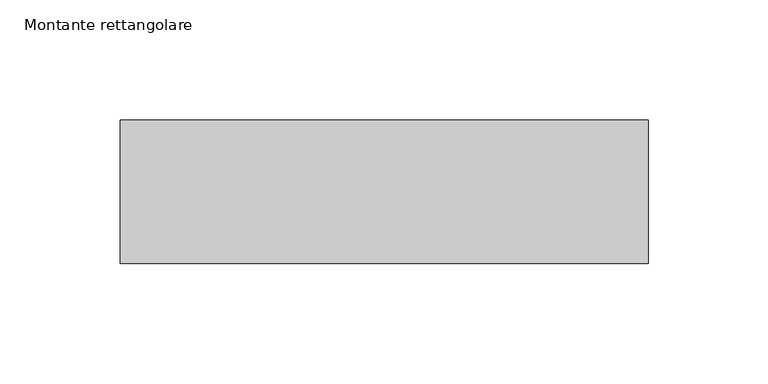
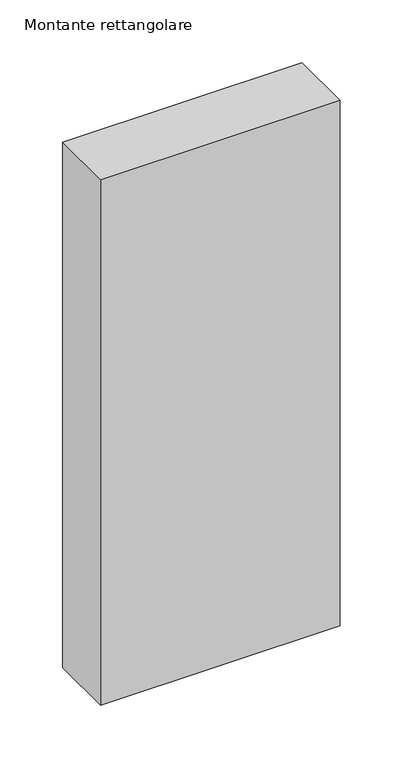
"""IFC4 building model written with IfcOpenShell, lengths in millimetres: member geometry, Montante rettangolare."""

import ifcopenshell
import ifcopenshell.guid

model = None  # the IFC model being written
_history = None  # IfcOwnerHistory: only IFC2X3 demands one
_inside = {}  # id of a spatial element -> (the spatial element, [elements in it])
_under = {}  # id of a project, library or spatial element -> (it, [spatial elements below it])
_declared = {}  # id of a project -> (the project, [libraries it declares])
_typed = {}  # id of a type object -> (the type object, [elements of that type])
_made_of = {}  # id of a material, layer set ... -> (it, [elements and type objects made of it])


def new_model(schema):
    """Start an empty IFC model of exactly this schema.

    Asked for "IFC4X3", IfcOpenShell would pick the latest addendum, in which some entities
    have other attributes; the version numbers below select the first issue.
    IFC2X3 requires an IfcOwnerHistory on every rooted entity: one is made here for all.
    """
    global model, _history
    if schema == "IFC4X3":
        model = ifcopenshell.file(schema_version=(4, 3, 0, 0))
    else:
        model = ifcopenshell.file(schema=schema)
    _inside.clear()
    _under.clear()
    _declared.clear()
    _typed.clear()
    _made_of.clear()
    _history = None
    if model.schema == "IFC2X3":
        org = make("IfcOrganization", Name="unknown")
        user = make(
            "IfcPersonAndOrganization",
            ThePerson=make("IfcPerson", FamilyName="unknown"),
            TheOrganization=org,
        )
        app = make(
            "IfcApplication",
            ApplicationDeveloper=org,
            Version="unknown",
            ApplicationFullName="unknown",
            ApplicationIdentifier="unknown",
        )
        _history = make(
            "IfcOwnerHistory",
            OwningUser=user,
            OwningApplication=app,
            ChangeAction="ADDED",
            CreationDate=0,
        )
    return model


def make(cls, **values):
    """One entity of the class cls with the attributes given. An attribute that is None is left unset."""
    return model.create_entity(
        cls, **{name: value for name, value in values.items() if value is not None}
    )


def rooted(cls, **values):
    """An entity with a GlobalId (a new one), such as an element, a storey or a relation."""
    return make(cls, GlobalId=ifcopenshell.guid.new(), OwnerHistory=_history, **values)


def si_unit(unit_type, name, prefix=None):
    """IfcSIUnit, for example si_unit("LENGTHUNIT", "METRE", prefix="MILLI")."""
    return make("IfcSIUnit", UnitType=unit_type, Prefix=prefix, Name=name)


def assignment(units):
    """IfcUnitAssignment: the units of a project."""
    return None if units is None else make("IfcUnitAssignment", Units=units)


def point(xyz):
    """IfcCartesianPoint."""
    return None if xyz is None else make("IfcCartesianPoint", Coordinates=xyz)


def direction(xyz):
    """IfcDirection."""
    return None if xyz is None else make("IfcDirection", DirectionRatios=xyz)


def frame(location, z_axis=None, x_axis=None):
    """IfcAxis2Placement3D, a coordinate frame: its origin and axes. An axis left out is left unset."""
    return make(
        "IfcAxis2Placement3D",
        Location=point(location),
        Axis=direction(z_axis),
        RefDirection=direction(x_axis),
    )


def origin():
    """The frame at (0, 0, 0) with its axes left unset."""
    return frame((0.0, 0.0, 0.0))


def place(relative_to, where):
    """IfcLocalPlacement: puts the frame where relative to a parent placement (None: the world)."""
    return make(
        "IfcLocalPlacement", PlacementRelTo=relative_to, RelativePlacement=where
    )


def context(
    kind, dimensions, precision=None, world=None, true_north=None, identifier=None
):
    """IfcGeometricRepresentationContext, for example the 3D "Model" context."""
    return make(
        "IfcGeometricRepresentationContext",
        ContextIdentifier=identifier,
        ContextType=kind,
        CoordinateSpaceDimension=dimensions,
        Precision=precision,
        WorldCoordinateSystem=world,
        TrueNorth=true_north,
    )


def project(units=None, contexts=None):
    """IfcProject with its units and contexts."""
    return rooted(
        "IfcProject",
        Name="project",
        RepresentationContexts=contexts,
        UnitsInContext=assignment(units),
    )


def spatial(cls, under=None, at=None, **own):
    """A site, building, storey or space (cls), placed at a placement, below another one or the project."""
    s = rooted(cls, ObjectPlacement=at, **own)
    if under is not None:
        _under.setdefault(under.id(), (under, []))[1].append(s)
    return s


def polyline(points):
    """IfcPolyline through the points."""
    return make("IfcPolyline", Points=[point(p) for p in points])


def outline(outer, holes=None, kind="AREA"):
    """IfcArbitraryClosedProfileDef: a profile drawn as a closed curve; with holes, ...WithVoids."""
    if holes is None:
        return make("IfcArbitraryClosedProfileDef", ProfileType=kind, OuterCurve=outer)
    return make(
        "IfcArbitraryProfileDefWithVoids",
        ProfileType=kind,
        OuterCurve=outer,
        InnerCurves=holes,
    )


def extrude(swept, where, along, depth):
    """IfcExtrudedAreaSolid: the profile swept, set in the frame where, extruded along a direction by depth."""
    return make(
        "IfcExtrudedAreaSolid",
        SweptArea=swept,
        Position=where,
        ExtrudedDirection=direction(along),
        Depth=depth,
    )


def shape(context_of_items, identifier, shape_type, items):
    """IfcShapeRepresentation: the items that make up one representation, for example the "Body"."""
    return make(
        "IfcShapeRepresentation",
        ContextOfItems=context_of_items,
        RepresentationIdentifier=identifier,
        RepresentationType=shape_type,
        Items=items,
    )


def source(mapping_origin, context_of_items, identifier, shape_type, items):
    """IfcRepresentationMap: a shape defined once, which mapped items show again and again."""
    return make(
        "IfcRepresentationMap",
        MappingOrigin=mapping_origin,
        MappedRepresentation=shape(context_of_items, identifier, shape_type, items),
    )


def transform(
    local_origin,
    x_axis=None,
    y_axis=None,
    z_axis=None,
    scale=None,
    scale2=None,
    scale3=None,
    uniform=True,
):
    """IfcCartesianTransformationOperator3D, or its non-uniform kind. x_axis, y_axis, z_axis: its Axis1, 2, 3."""
    if uniform:
        return make(
            "IfcCartesianTransformationOperator3D",
            Axis1=direction(x_axis),
            Axis2=direction(y_axis),
            LocalOrigin=point(local_origin),
            Scale=scale,
            Axis3=direction(z_axis),
        )
    return make(
        "IfcCartesianTransformationOperator3DnonUniform",
        Axis1=direction(x_axis),
        Axis2=direction(y_axis),
        LocalOrigin=point(local_origin),
        Scale=scale,
        Axis3=direction(z_axis),
        Scale2=scale2,
        Scale3=scale3,
    )


def mapped(mapping_source, mapping_target):
    """IfcMappedItem: shows the shape of a source again, moved by a transform."""
    return make(
        "IfcMappedItem", MappingSource=mapping_source, MappingTarget=mapping_target
    )


def made_of(thing, what):
    """Note that an element or type object is made of a material, layer set ...; save() writes the relation."""
    if what is not None:
        _made_of.setdefault(what.id(), (what, []))[1].append(thing)
    return thing


def element(
    cls,
    number,
    at=None,
    inside=None,
    cuts=None,
    type_object=None,
    material=None,
    context=None,
    identifier="Body",
    shape_type=None,
    held_by="IfcProductDefinitionShape",
    body=None,
    shapes=None,
    **own,
):
    """One element of the class cls, such as IfcWall. Its Tag is "e" and its number.

    at: its placement. inside: the storey or other place that contains it. cuts: it is an
    opening in that element (IfcRelVoidsElement). A single representation is given by context,
    identifier, shape_type and body (its items); several are given by shapes. held_by: the class
    of the entity that holds the representations. save() writes the other relations.
    """
    e = rooted(cls, Tag="e%d" % number, ObjectPlacement=at, **own)
    if body is not None:
        shapes = [shape(context, identifier, shape_type, body)]
    if shapes is not None:
        e.Representation = make(held_by, Representations=shapes)
    if inside is not None:
        _inside.setdefault(inside.id(), (inside, []))[1].append(e)
    if cuts is not None:
        rooted(
            "IfcRelVoidsElement", RelatingBuildingElement=cuts, RelatedOpeningElement=e
        )
    if type_object is not None:
        _typed.setdefault(type_object.id(), (type_object, []))[1].append(e)
    return made_of(e, material)


def aggregate(whole, parts):
    """IfcRelAggregates: a whole, such as a stair, and the parts it consists of."""
    return rooted("IfcRelAggregates", RelatingObject=whole, RelatedObjects=parts)


def save(model, path):
    """Write the relations noted so far, then the file.

    IfcRelAggregates (storeys below a building ...), IfcRelContainedInSpatialStructure (elements
    in a storey), IfcRelDefinesByType, IfcRelAssociatesMaterial and IfcRelDeclares: one each for
    every whole, place, type object, material and project.
    """
    for whole, parts in _under.values():
        aggregate(whole, parts)
    for where, things in _inside.values():
        rooted(
            "IfcRelContainedInSpatialStructure",
            RelatedElements=things,
            RelatingStructure=where,
        )
    for kind, things in _typed.values():
        rooted("IfcRelDefinesByType", RelatedObjects=things, RelatingType=kind)
    for what, things in _made_of.values():
        rooted("IfcRelAssociatesMaterial", RelatedObjects=things, RelatingMaterial=what)
    for by, libraries in _declared.values():
        rooted("IfcRelDeclares", RelatingContext=by, RelatedDefinitions=libraries)
    model.write(path)


def montante_rettangolare_1d341587(model_context):
    return source(origin(), model_context, "Body", "SweptSolid", [
        extrude(outline(polyline([(110.0, 30.0), (110.0, -30.0), (-110.0, -30.0), (-110.0, 30.0), (110.0, 30.0)])), frame((0.0, 0.0, -510.0), z_axis=(0.0, 0.0, 1.0), x_axis=(1.0, 0.0, 0.0)), (0.0, 0.0, 1.0), 510.0),
    ])


if __name__ == "__main__":
    model = new_model("IFC4")
    model_context = context("Model", 3, world=origin())
    ifc_project = project(units=[si_unit("LENGTHUNIT", "METRE", prefix="MILLI")], contexts=[model_context])
    site = spatial("IfcSite", under=ifc_project)
    building = spatial("IfcBuilding", under=site)
    placement = place(None, origin())
    montante_rettangolare_shape = montante_rettangolare_1d341587(model_context)
    element("IfcMember", 1, ObjectType="Montante rettangolare", at=placement, inside=building, context=model_context, shape_type="MappedRepresentation", body=[
        mapped(montante_rettangolare_shape, transform((0.0, 0.0, 0.0), x_axis=(1.0, 0.0, 0.0), y_axis=(0.0, 1.0, 0.0), z_axis=(0.0, 0.0, 1.0))),
    ])
    save(model, "model.ifc")
